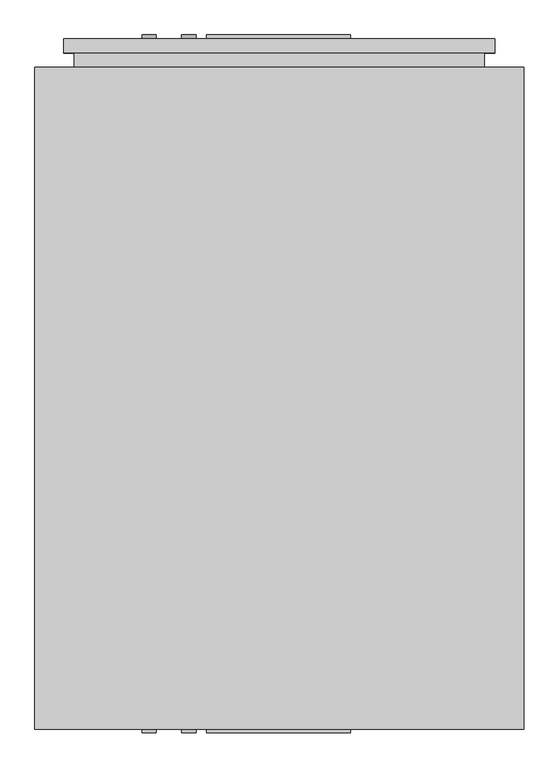
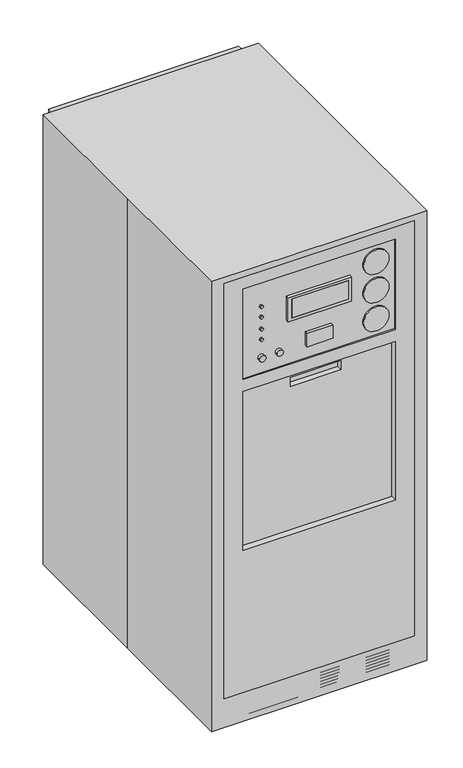
"""IFC4 building model written with IfcOpenShell, lengths in millimetres: proxy geometry."""

from ifc_helpers import new_model, si_unit, point, frame, frame_2d, origin, origin_with_axes, place, context, project, spatial, polyline, circle_curve, trimmed, segment, composite_curve, outline, extrude, faceted_brep, source, transform, mapped, element, save


def specialty_equipment_8d733da3(model_context):
    return source(origin(), model_context, "Body", "SolidModel", [
        extrude(outline(composite_curve([segment(trimmed(circle_curve(frame_2d((1516.7270436, 228.5326215)), 50.8), [point((1516.7270436, 177.7326215))], [point((1516.7270436, 279.3326215))], False, "CARTESIAN"), True, "CONTINUOUS"), segment(trimmed(circle_curve(frame_2d((1516.7270436, 228.5326215)), 50.8), [point((1516.7270436, 279.3326215))], [point((1516.7270436, 177.7326215))], False, "CARTESIAN"), True, "CONTINUOUS")], self_intersect=False)), frame((0.0, 628.65, 0.0), z_axis=(0.0, 1.0, 0.0), x_axis=(0.0, 0.0, 1.0)), (0.0, 0.0, 1.0), 6.35),
        extrude(outline(composite_curve([segment(trimmed(circle_curve(frame_2d((1637.3770436, 228.5326215)), 50.8), [point((1637.3770436, 177.7326215))], [point((1637.3770436, 279.3326215))], False, "CARTESIAN"), True, "CONTINUOUS"), segment(trimmed(circle_curve(frame_2d((1637.3770436, 228.5326215)), 50.8), [point((1637.3770436, 279.3326215))], [point((1637.3770436, 177.7326215))], False, "CARTESIAN"), True, "CONTINUOUS")], self_intersect=False)), frame((0.0, 628.65, 0.0), z_axis=(0.0, 1.0, 0.0), x_axis=(0.0, 0.0, 1.0)), (0.0, 0.0, 1.0), 6.35),
        extrude(outline(composite_curve([segment(trimmed(circle_curve(frame_2d((1758.0270436, 228.5326215)), 50.8), [point((1758.0270436, 177.7326215))], [point((1758.0270436, 279.3326215))], False, "CARTESIAN"), True, "CONTINUOUS"), segment(trimmed(circle_curve(frame_2d((1758.0270436, 228.5326215)), 50.8), [point((1758.0270436, 279.3326215))], [point((1758.0270436, 177.7326215))], False, "CARTESIAN"), True, "CONTINUOUS")], self_intersect=False)), frame((0.0, 628.65, 0.0), z_axis=(0.0, 1.0, 0.0), x_axis=(0.0, 0.0, 1.0)), (0.0, 0.0, 1.0), 6.35),
        extrude(outline(composite_curve([segment(trimmed(circle_curve(frame_2d((1727.9805029, -229.9491675)), 6.35), [point((1727.9805029, -236.2991675))], [point((1727.9805029, -223.5991675))], False, "CARTESIAN"), True, "CONTINUOUS"), segment(trimmed(circle_curve(frame_2d((1727.9805029, -229.9491675)), 6.35), [point((1727.9805029, -223.5991675))], [point((1727.9805029, -236.2991675))], False, "CARTESIAN"), True, "CONTINUOUS")], self_intersect=False)), frame((0.0, 628.65, 0.0), z_axis=(0.0, 1.0, 0.0), x_axis=(0.0, 0.0, 1.0)), (0.0, 0.0, 1.0), 6.35),
        extrude(outline(composite_curve([segment(trimmed(circle_curve(frame_2d((1683.5305029, -229.9491675)), 6.35), [point((1683.5305029, -236.2991675))], [point((1683.5305029, -223.5991675))], False, "CARTESIAN"), True, "CONTINUOUS"), segment(trimmed(circle_curve(frame_2d((1683.5305029, -229.9491675)), 6.35), [point((1683.5305029, -223.5991675))], [point((1683.5305029, -236.2991675))], False, "CARTESIAN"), True, "CONTINUOUS")], self_intersect=False)), frame((0.0, 628.65, 0.0), z_axis=(0.0, 1.0, 0.0), x_axis=(0.0, 0.0, 1.0)), (0.0, 0.0, 1.0), 6.35),
        extrude(outline(composite_curve([segment(trimmed(circle_curve(frame_2d((1632.7305029, -229.9491675)), 6.35), [point((1632.7305029, -236.2991675))], [point((1632.7305029, -223.5991675))], False, "CARTESIAN"), True, "CONTINUOUS"), segment(trimmed(circle_curve(frame_2d((1632.7305029, -229.9491675)), 6.35), [point((1632.7305029, -223.5991675))], [point((1632.7305029, -236.2991675))], False, "CARTESIAN"), True, "CONTINUOUS")], self_intersect=False)), frame((0.0, 628.65, 0.0), z_axis=(0.0, 1.0, 0.0), x_axis=(0.0, 0.0, 1.0)), (0.0, 0.0, 1.0), 6.35),
        extrude(outline(composite_curve([segment(trimmed(circle_curve(frame_2d((1588.2805029, -229.9491675)), 6.35), [point((1588.2805029, -236.2991675))], [point((1588.2805029, -223.5991675))], False, "CARTESIAN"), True, "CONTINUOUS"), segment(trimmed(circle_curve(frame_2d((1588.2805029, -229.9491675)), 6.35), [point((1588.2805029, -223.5991675))], [point((1588.2805029, -236.2991675))], False, "CARTESIAN"), True, "CONTINUOUS")], self_intersect=False)), frame((0.0, 628.65, 0.0), z_axis=(0.0, 1.0, 0.0), x_axis=(0.0, 0.0, 1.0)), (0.0, 0.0, 1.0), 6.35),
        extrude(outline(polyline([(-113.479225, 641.35), (113.2646728, 641.35), (113.2646728, 635.0), (-113.479225, 635.0), (-113.479225, 641.35)])), frame((0.0, 0.0, 1644.6676006), z_axis=(0.0, 0.0, 1.0), x_axis=(1.0, 0.0, 0.0)), (0.0, 0.0, 1.0), 78.9475087),
        extrude(outline(composite_curve([segment(trimmed(circle_curve(frame_2d((1512.0805029, -160.0991675)), 12.7), [point((1512.0805029, -172.7991675))], [point((1512.0805029, -147.3991675))], False, "CARTESIAN"), True, "CONTINUOUS"), segment(trimmed(circle_curve(frame_2d((1512.0805029, -160.0991675)), 12.7), [point((1512.0805029, -147.3991675))], [point((1512.0805029, -172.7991675))], False, "CARTESIAN"), True, "CONTINUOUS")], self_intersect=False)), frame((0.0, 635.0, 0.0), z_axis=(0.0, 1.0, 0.0), x_axis=(0.0, 0.0, 1.0)), (0.0, 0.0, 1.0), 6.35),
        extrude(outline(composite_curve([segment(trimmed(circle_curve(frame_2d((1512.0805029, -229.9491675)), 12.7), [point((1512.0805029, -242.6491675))], [point((1512.0805029, -217.2491675))], False, "CARTESIAN"), True, "CONTINUOUS"), segment(trimmed(circle_curve(frame_2d((1512.0805029, -229.9491675)), 12.7), [point((1512.0805029, -217.2491675))], [point((1512.0805029, -242.6491675))], False, "CARTESIAN"), True, "CONTINUOUS")], self_intersect=False)), frame((0.0, 635.0, 0.0), z_axis=(0.0, 1.0, 0.0), x_axis=(0.0, 0.0, 1.0)), (0.0, 0.0, 1.0), 6.35),
        extrude(outline(polyline([(-52.3875, 641.35), (51.2047669, 641.35), (51.2047669, 635.0), (-52.3875, 635.0), (-52.3875, 641.35)])), frame((0.0, 0.0, 1500.7850891), z_axis=(0.0, 0.0, 1.0), x_axis=(1.0, 0.0, 0.0)), (0.0, 0.0, 1.0), 55.9738661),
        extrude(outline(polyline([(1734.5589553, 125.7541032), (1734.5589553, -128.2458968), (1632.9589553, -128.2458968), (1632.9589553, 125.7541032), (1734.5589553, 125.7541032)]), holes=[polyline([(1723.6151093, 113.2646728), (1644.6676006, 113.2646728), (1644.6676006, -113.479225), (1723.6151093, -113.479225), (1723.6151093, 113.2646728)])]), frame((0.0, 635.0, 0.0), z_axis=(0.0, 1.0, 0.0), x_axis=(0.0, 0.0, 1.0)), (0.0, 0.0, 1.0), 6.35),
        faceted_brep([(381.0, 635.0, 1879.6), (381.0, 635.0, 120.65), (-381.0, 635.0, 120.65), (-381.0, 635.0, 1879.6), (304.8, 635.0, 1828.8), (-304.8, 635.0, 1828.8), (-304.8, 635.0, 1445.9540873), (304.8, 635.0, 1445.9540873), (304.8, 635.0, 1395.1540873), (-304.8, 635.0, 1395.1540873), (-304.8, 635.0, 723.9), (304.8, 635.0, 723.9), (381.0, 609.6, 1879.6), (-381.0, 609.6, 1879.6), (-381.0, 609.6, 120.65), (381.0, 609.6, 120.65), (-304.8, 609.6, 1395.1540873), (304.8, 609.6, 1395.1540873), (304.8, 609.6, 723.9), (-304.8, 609.6, 723.9), (304.8, 628.65, 1828.8), (304.8, 628.65, 1445.9540873), (-304.8, 628.65, 1445.9540873), (-304.8, 628.65, 1828.8)], [[[0, 1, 2, 3], [4, 5, 6, 7], [8, 9, 10, 11]], [[12, 13, 14, 15], [16, 17, 18, 19]], [[0, 3, 13, 12]], [[3, 2, 14, 13]], [[2, 1, 15, 14]], [[1, 0, 12, 15]], [[20, 21, 22, 23]], [[20, 23, 5, 4]], [[23, 22, 6, 5]], [[22, 21, 7, 6]], [[21, 20, 4, 7]], [[8, 17, 16, 9]], [[9, 16, 19, 10]], [[10, 19, 18, 11]], [[17, 8, 11, 18]]]),
        extrude(outline(composite_curve([segment(trimmed(circle_curve(frame_2d((1516.7270436, 228.5326215)), 50.8), [point((1516.7270436, 177.7326215))], [point((1516.7270436, 279.3326215))], False, "CARTESIAN"), True, "CONTINUOUS"), segment(trimmed(circle_curve(frame_2d((1516.7270436, 228.5326215)), 50.8), [point((1516.7270436, 279.3326215))], [point((1516.7270436, 177.7326215))], False, "CARTESIAN"), True, "CONTINUOUS")], self_intersect=False)), frame((0.0, -584.2, 0.0), z_axis=(0.0, 1.0, 0.0), x_axis=(0.0, 0.0, 1.0)), (0.0, 0.0, 1.0), 6.35),
        extrude(outline(composite_curve([segment(trimmed(circle_curve(frame_2d((1637.3770436, 228.5326215)), 50.8), [point((1637.3770436, 177.7326215))], [point((1637.3770436, 279.3326215))], False, "CARTESIAN"), True, "CONTINUOUS"), segment(trimmed(circle_curve(frame_2d((1637.3770436, 228.5326215)), 50.8), [point((1637.3770436, 279.3326215))], [point((1637.3770436, 177.7326215))], False, "CARTESIAN"), True, "CONTINUOUS")], self_intersect=False)), frame((0.0, -584.2, 0.0), z_axis=(0.0, 1.0, 0.0), x_axis=(0.0, 0.0, 1.0)), (0.0, 0.0, 1.0), 6.35),
        extrude(outline(composite_curve([segment(trimmed(circle_curve(frame_2d((1758.0270436, 228.5326215)), 50.8), [point((1758.0270436, 177.7326215))], [point((1758.0270436, 279.3326215))], False, "CARTESIAN"), True, "CONTINUOUS"), segment(trimmed(circle_curve(frame_2d((1758.0270436, 228.5326215)), 50.8), [point((1758.0270436, 279.3326215))], [point((1758.0270436, 177.7326215))], False, "CARTESIAN"), True, "CONTINUOUS")], self_intersect=False)), frame((0.0, -584.2, 0.0), z_axis=(0.0, 1.0, 0.0), x_axis=(0.0, 0.0, 1.0)), (0.0, 0.0, 1.0), 6.35),
        extrude(outline(polyline([(113.2646728, -590.55), (-113.479225, -590.55), (-113.479225, -584.2), (113.2646728, -584.2), (113.2646728, -590.55)])), frame((0.0, 0.0, 1644.6676006), z_axis=(0.0, 0.0, 1.0), x_axis=(1.0, 0.0, 0.0)), (0.0, 0.0, 1.0), 78.9475087),
        extrude(outline(composite_curve([segment(trimmed(circle_curve(frame_2d((1727.9805029, -229.9491675)), 6.35), [point((1727.9805029, -236.2991675))], [point((1727.9805029, -223.5991675))], False, "CARTESIAN"), True, "CONTINUOUS"), segment(trimmed(circle_curve(frame_2d((1727.9805029, -229.9491675)), 6.35), [point((1727.9805029, -223.5991675))], [point((1727.9805029, -236.2991675))], False, "CARTESIAN"), True, "CONTINUOUS")], self_intersect=False)), frame((0.0, -584.2, 0.0), z_axis=(0.0, 1.0, 0.0), x_axis=(0.0, 0.0, 1.0)), (0.0, 0.0, 1.0), 6.35),
        extrude(outline(composite_curve([segment(trimmed(circle_curve(frame_2d((1683.5305029, -229.9491675)), 6.35), [point((1683.5305029, -236.2991675))], [point((1683.5305029, -223.5991675))], False, "CARTESIAN"), True, "CONTINUOUS"), segment(trimmed(circle_curve(frame_2d((1683.5305029, -229.9491675)), 6.35), [point((1683.5305029, -223.5991675))], [point((1683.5305029, -236.2991675))], False, "CARTESIAN"), True, "CONTINUOUS")], self_intersect=False)), frame((0.0, -584.2, 0.0), z_axis=(0.0, 1.0, 0.0), x_axis=(0.0, 0.0, 1.0)), (0.0, 0.0, 1.0), 6.35),
        extrude(outline(composite_curve([segment(trimmed(circle_curve(frame_2d((1632.7305029, -229.9491675)), 6.35), [point((1632.7305029, -236.2991675))], [point((1632.7305029, -223.5991675))], False, "CARTESIAN"), True, "CONTINUOUS"), segment(trimmed(circle_curve(frame_2d((1632.7305029, -229.9491675)), 6.35), [point((1632.7305029, -223.5991675))], [point((1632.7305029, -236.2991675))], False, "CARTESIAN"), True, "CONTINUOUS")], self_intersect=False)), frame((0.0, -584.2, 0.0), z_axis=(0.0, 1.0, 0.0), x_axis=(0.0, 0.0, 1.0)), (0.0, 0.0, 1.0), 6.35),
        extrude(outline(composite_curve([segment(trimmed(circle_curve(frame_2d((1588.2805029, -229.9491675)), 6.35), [point((1588.2805029, -236.2991675))], [point((1588.2805029, -223.5991675))], False, "CARTESIAN"), True, "CONTINUOUS"), segment(trimmed(circle_curve(frame_2d((1588.2805029, -229.9491675)), 6.35), [point((1588.2805029, -223.5991675))], [point((1588.2805029, -236.2991675))], False, "CARTESIAN"), True, "CONTINUOUS")], self_intersect=False)), frame((0.0, -584.2, 0.0), z_axis=(0.0, 1.0, 0.0), x_axis=(0.0, 0.0, 1.0)), (0.0, 0.0, 1.0), 6.35),
        extrude(outline(composite_curve([segment(trimmed(circle_curve(frame_2d((1512.0805029, -160.0991675)), 12.7), [point((1512.0805029, -172.7991675))], [point((1512.0805029, -147.3991675))], False, "CARTESIAN"), True, "CONTINUOUS"), segment(trimmed(circle_curve(frame_2d((1512.0805029, -160.0991675)), 12.7), [point((1512.0805029, -147.3991675))], [point((1512.0805029, -172.7991675))], False, "CARTESIAN"), True, "CONTINUOUS")], self_intersect=False)), frame((0.0, -590.55, 0.0), z_axis=(0.0, 1.0, 0.0), x_axis=(0.0, 0.0, 1.0)), (0.0, 0.0, 1.0), 12.7),
        extrude(outline(composite_curve([segment(trimmed(circle_curve(frame_2d((1512.0805029, -229.9491675)), 12.7), [point((1512.0805029, -242.6491675))], [point((1512.0805029, -217.2491675))], False, "CARTESIAN"), True, "CONTINUOUS"), segment(trimmed(circle_curve(frame_2d((1512.0805029, -229.9491675)), 12.7), [point((1512.0805029, -217.2491675))], [point((1512.0805029, -242.6491675))], False, "CARTESIAN"), True, "CONTINUOUS")], self_intersect=False)), frame((0.0, -590.55, 0.0), z_axis=(0.0, 1.0, 0.0), x_axis=(0.0, 0.0, 1.0)), (0.0, 0.0, 1.0), 12.7),
        extrude(outline(polyline([(51.2047669, -590.55), (-52.3875, -590.55), (-52.3875, -577.85), (51.2047669, -577.85), (51.2047669, -590.55)])), frame((0.0, 0.0, 1500.7850891), z_axis=(0.0, 0.0, 1.0), x_axis=(1.0, 0.0, 0.0)), (0.0, 0.0, 1.0), 55.9738661),
        extrude(outline(polyline([(1734.5589553, 125.7541032), (1734.5589553, -128.2458968), (1632.9589553, -128.2458968), (1632.9589553, 125.7541032), (1734.5589553, 125.7541032)]), holes=[polyline([(1723.6151093, 113.2646728), (1644.6676006, 113.2646728), (1644.6676006, -113.479225), (1723.6151093, -113.479225), (1723.6151093, 113.2646728)])]), frame((0.0, -590.55, 0.0), z_axis=(0.0, 1.0, 0.0), x_axis=(0.0, 0.0, 1.0)), (0.0, 0.0, 1.0), 12.7),
        extrude(outline(polyline([(-279.4, 635.0), (279.4, 635.0), (279.4, 609.6), (-279.4, 609.6), (-279.4, 635.0)])), frame((0.0, 0.0, 92.075), z_axis=(0.0, 0.0, 1.0), x_axis=(1.0, 0.0, 0.0)), (0.0, 0.0, 1.0), 6.35),
        extrude(outline(polyline([(-279.4, 635.0), (279.4, 635.0), (279.4, 609.6), (-279.4, 609.6), (-279.4, 635.0)])), frame((0.0, 0.0, 41.275), z_axis=(0.0, 0.0, 1.0), x_axis=(1.0, 0.0, 0.0)), (0.0, 0.0, 1.0), 6.35),
        extrude(outline(polyline([(-279.4, 635.0), (279.4, 635.0), (279.4, 609.6), (-279.4, 609.6), (-279.4, 635.0)])), frame((0.0, 0.0, 79.375), z_axis=(0.0, 0.0, 1.0), x_axis=(1.0, 0.0, 0.0)), (0.0, 0.0, 1.0), 6.35),
        extrude(outline(polyline([(-279.4, 635.0), (279.4, 635.0), (279.4, 609.6), (-279.4, 609.6), (-279.4, 635.0)])), frame((0.0, 0.0, 66.675), z_axis=(0.0, 0.0, 1.0), x_axis=(1.0, 0.0, 0.0)), (0.0, 0.0, 1.0), 6.35),
        extrude(outline(polyline([(-279.4, 635.0), (279.4, 635.0), (279.4, 609.6), (-279.4, 609.6), (-279.4, 635.0)])), frame((0.0, 0.0, 53.975), z_axis=(0.0, 0.0, 1.0), x_axis=(1.0, 0.0, 0.0)), (0.0, 0.0, 1.0), 6.35),
        extrude(outline(polyline([(-279.4, 635.0), (279.4, 635.0), (279.4, 609.6), (-279.4, 609.6), (-279.4, 635.0)])), frame((0.0, 0.0, 28.575), z_axis=(0.0, 0.0, 1.0), x_axis=(1.0, 0.0, 0.0)), (0.0, 0.0, 1.0), 6.35),
        extrude(outline(polyline([(114.3, 381.0), (114.3, -381.0), (12.7, -381.0), (12.7, 381.0), (114.3, 381.0)]), holes=[polyline([(101.6, 279.4), (25.4, 279.4), (25.4, -279.4), (101.6, -279.4), (101.6, 279.4)])]), frame((0.0, 609.6, 0.0), z_axis=(0.0, 1.0, 0.0), x_axis=(0.0, 0.0, 1.0)), (0.0, 0.0, 1.0), 25.4),
        faceted_brep([(304.8, -577.85, 1828.8), (-304.8, -577.85, 1828.8), (-304.8, -577.85, 1445.9540873), (304.8, -577.85, 1445.9540873), (304.8, -584.2, 1828.8), (-304.8, -584.2, 1828.8), (-304.8, -584.2, 1445.9540873), (304.8, -584.2, 1445.9540873), (-304.8, -584.2, 1395.1540873), (-304.8, -558.8, 1395.1540873), (304.8, -558.8, 1395.1540873), (304.8, -584.2, 1395.1540873), (-304.8, -584.2, 723.9), (-304.8, -558.8, 723.9), (304.8, -584.2, 723.9), (304.8, -558.8, 723.9), (381.0, -584.2, 1879.6), (-381.0, -584.2, 1879.6), (-381.0, -584.2, 120.65), (381.0, -584.2, 120.65), (381.0, -558.8, 1879.6), (381.0, -558.8, 120.65), (-381.0, -558.8, 120.65), (-381.0, -558.8, 1879.6)], [[[0, 1, 2, 3]], [[1, 0, 4, 5]], [[2, 1, 5, 6]], [[3, 2, 6, 7]], [[0, 3, 7, 4]], [[8, 9, 10, 11]], [[9, 8, 12, 13]], [[13, 12, 14, 15]], [[11, 10, 15, 14]], [[16, 17, 18, 19], [5, 4, 7, 6], [8, 11, 14, 12]], [[20, 21, 22, 23], [10, 9, 13, 15]], [[17, 16, 20, 23]], [[18, 17, 23, 22]], [[19, 18, 22, 21]], [[16, 19, 21, 20]]]),
        faceted_brep([(101.6, -535.5712724, 1369.0893409), (-101.6, -535.5712724, 1369.0893409), (-101.6, -535.5712724, 1330.9893409), (101.6, -535.5712724, 1330.9893409), (101.6, -558.8, 1369.0893409), (-101.6, -558.8, 1369.0893409), (-101.6, -558.8, 1330.9893409), (101.6, -558.8, 1330.9893409), (361.95, -558.8, 1854.2), (361.95, 609.6, 1854.2), (-361.95, 609.6, 1854.2), (-361.95, -558.8, 1854.2), (361.95, -558.8, 12.7), (-361.95, -558.8, 12.7), (-361.95, 609.6, 12.7), (361.95, 609.6, 12.7), (101.6, 609.6, 1369.0893409), (-101.6, 609.6, 1369.0893409), (-101.6, 609.6, 1330.9893409), (101.6, 609.6, 1330.9893409), (101.6, 586.3712724, 1369.0893409), (101.6, 586.3712724, 1330.9893409), (-101.6, 586.3712724, 1330.9893409), (-101.6, 586.3712724, 1369.0893409)], [[[0, 1, 2, 3]], [[1, 0, 4, 5]], [[2, 1, 5, 6]], [[3, 2, 6, 7]], [[0, 3, 7, 4]], [[8, 9, 10, 11]], [[12, 13, 14, 15]], [[9, 8, 12, 15]], [[10, 9, 15, 14], [16, 17, 18, 19]], [[11, 10, 14, 13]], [[8, 11, 13, 12], [5, 4, 7, 6]], [[20, 21, 22, 23]], [[20, 23, 17, 16]], [[23, 22, 18, 17]], [[22, 21, 19, 18]], [[21, 20, 16, 19]]]),
        faceted_brep([(-431.8, 584.2, 1905.0), (-431.8, 0.0, 1905.0), (-431.8, -584.2, 1905.0), (431.8, -584.2, 1905.0), (431.8, 584.2, 1905.0), (-431.8, 584.2, 0.0), (431.8, 584.2, 0.0), (431.8, -584.2, 0.0), (-431.8, -584.2, 0.0), (-431.8, 0.0, 0.0), (-304.8, -584.2, 1828.8), (304.8, -584.2, 1828.8), (304.8, -584.2, 1445.9540873), (-304.8, -584.2, 1445.9540873), (-304.8, -584.2, 1395.1540873), (304.8, -584.2, 1395.1540873), (304.8, -584.2, 723.9), (-304.8, -584.2, 723.9), (304.8, -577.85, 1828.8), (-304.8, -577.85, 1828.8), (-304.8, -577.85, 1445.9540873), (304.8, -577.85, 1445.9540873), (304.8, -558.8, 1395.1540873), (-304.8, -558.8, 1395.1540873), (-304.8, -558.8, 723.9), (304.8, -558.8, 723.9), (-101.6, -558.8, 1369.0893409), (101.6, -558.8, 1369.0893409), (101.6, -558.8, 1330.9893409), (-101.6, -558.8, 1330.9893409), (101.6, -535.5712724, 1369.0893409), (-101.6, -535.5712724, 1369.0893409), (-101.6, -535.5712724, 1330.9893409), (101.6, -535.5712724, 1330.9893409)], [[[0, 1, 2, 3, 4]], [[5, 6, 7, 8, 9]], [[1, 0, 5, 9]], [[2, 1, 9, 8]], [[3, 2, 8, 7], [10, 11, 12, 13], [14, 15, 16, 17]], [[4, 3, 7, 6]], [[0, 4, 6, 5]], [[18, 19, 20, 21]], [[19, 18, 11, 10]], [[20, 19, 10, 13]], [[21, 20, 13, 12]], [[18, 21, 12, 11]], [[22, 23, 24, 25], [26, 27, 28, 29]], [[23, 22, 15, 14]], [[24, 23, 14, 17]], [[25, 24, 17, 16]], [[22, 25, 16, 15]], [[30, 31, 32, 33]], [[31, 30, 27, 26]], [[32, 31, 26, 29]], [[33, 32, 29, 28]], [[30, 33, 28, 27]]]),
        extrude(outline(composite_curve([segment(trimmed(circle_curve(frame_2d((263.1882216, 517.9914267)), 50.8), [point((212.3882216, 517.9914267))], [point((313.9882216, 517.9914267))], False, "CARTESIAN"), True, "CONTINUOUS"), segment(trimmed(circle_curve(frame_2d((263.1882216, 517.9914267)), 50.8), [point((313.9882216, 517.9914267))], [point((212.3882216, 517.9914267))], False, "CARTESIAN"), True, "CONTINUOUS")], self_intersect=False)), origin_with_axes(), (0.0, 0.0, 1.0), 12.7),
        extrude(outline(composite_curve([segment(trimmed(circle_curve(frame_2d((-263.1882216, 517.9914267)), 50.8), [point((-212.3882216, 517.9914267))], [point((-313.9882216, 517.9914267))], False, "CARTESIAN"), True, "CONTINUOUS"), segment(trimmed(circle_curve(frame_2d((-263.1882216, 517.9914267)), 50.8), [point((-313.9882216, 517.9914267))], [point((-212.3882216, 517.9914267))], False, "CARTESIAN"), True, "CONTINUOUS")], self_intersect=False)), origin_with_axes(), (0.0, 0.0, 1.0), 12.7),
        extrude(outline(composite_curve([segment(trimmed(circle_curve(frame_2d((263.1882216, -467.1914267)), 50.8), [point((212.3882216, -467.1914267))], [point((313.9882216, -467.1914267))], False, "CARTESIAN"), True, "CONTINUOUS"), segment(trimmed(circle_curve(frame_2d((263.1882216, -467.1914267)), 50.8), [point((313.9882216, -467.1914267))], [point((212.3882216, -467.1914267))], False, "CARTESIAN"), True, "CONTINUOUS")], self_intersect=False)), origin_with_axes(), (0.0, 0.0, 1.0), 12.7),
        extrude(outline(composite_curve([segment(trimmed(circle_curve(frame_2d((-263.1882216, -467.1914267)), 50.8), [point((-212.3882216, -467.1914267))], [point((-313.9882216, -467.1914267))], False, "CARTESIAN"), True, "CONTINUOUS"), segment(trimmed(circle_curve(frame_2d((-263.1882216, -467.1914267)), 50.8), [point((-313.9882216, -467.1914267))], [point((-212.3882216, -467.1914267))], False, "CARTESIAN"), True, "CONTINUOUS")], self_intersect=False)), origin_with_axes(), (0.0, 0.0, 1.0), 12.7),
        extrude(outline(polyline([(279.4, -584.2), (-279.4, -584.2), (-279.4, -558.8), (279.4, -558.8), (279.4, -584.2)])), frame((0.0, 0.0, 92.075), z_axis=(0.0, 0.0, 1.0), x_axis=(1.0, 0.0, 0.0)), (0.0, 0.0, 1.0), 6.35),
        extrude(outline(polyline([(279.4, -584.2), (-279.4, -584.2), (-279.4, -558.8), (279.4, -558.8), (279.4, -584.2)])), frame((0.0, 0.0, 41.275), z_axis=(0.0, 0.0, 1.0), x_axis=(1.0, 0.0, 0.0)), (0.0, 0.0, 1.0), 6.35),
        extrude(outline(polyline([(279.4, -584.2), (-279.4, -584.2), (-279.4, -558.8), (279.4, -558.8), (279.4, -584.2)])), frame((0.0, 0.0, 79.375), z_axis=(0.0, 0.0, 1.0), x_axis=(1.0, 0.0, 0.0)), (0.0, 0.0, 1.0), 6.35),
        extrude(outline(polyline([(279.4, -584.2), (-279.4, -584.2), (-279.4, -558.8), (279.4, -558.8), (279.4, -584.2)])), frame((0.0, 0.0, 66.675), z_axis=(0.0, 0.0, 1.0), x_axis=(1.0, 0.0, 0.0)), (0.0, 0.0, 1.0), 6.35),
        extrude(outline(polyline([(279.4, -584.2), (-279.4, -584.2), (-279.4, -558.8), (279.4, -558.8), (279.4, -584.2)])), frame((0.0, 0.0, 53.975), z_axis=(0.0, 0.0, 1.0), x_axis=(1.0, 0.0, 0.0)), (0.0, 0.0, 1.0), 6.35),
        extrude(outline(polyline([(279.4, -584.2), (-279.4, -584.2), (-279.4, -558.8), (279.4, -558.8), (279.4, -584.2)])), frame((0.0, 0.0, 28.575), z_axis=(0.0, 0.0, 1.0), x_axis=(1.0, 0.0, 0.0)), (0.0, 0.0, 1.0), 6.35),
        extrude(outline(polyline([(114.3, 381.0), (114.3, -381.0), (12.7, -381.0), (12.7, 381.0), (114.3, 381.0)]), holes=[polyline([(101.6, 279.4), (25.4, 279.4), (25.4, -279.4), (101.6, -279.4), (101.6, 279.4)])]), frame((0.0, -584.2, 0.0), z_axis=(0.0, 1.0, 0.0), x_axis=(0.0, 0.0, 1.0)), (0.0, 0.0, 1.0), 25.4),
    ])


if __name__ == "__main__":
    model = new_model("IFC4")
    model_context = context("Model", 3, world=origin())
    ifc_project = project(units=[si_unit("LENGTHUNIT", "METRE", prefix="MILLI")], contexts=[model_context])
    site = spatial("IfcSite", under=ifc_project)
    building = spatial("IfcBuilding", under=site)
    placement = place(None, origin())
    specialty_equipment_shape = specialty_equipment_8d733da3(model_context)
    element("IfcBuildingElementProxy", 1, Name="Specialty Equipment", at=placement, inside=building, context=model_context, shape_type="MappedRepresentation", body=[
        mapped(specialty_equipment_shape, transform((0.0, 0.0, 0.0), x_axis=(1.0, 0.0, 0.0), y_axis=(0.0, 1.0, 0.0), z_axis=(0.0, 0.0, 1.0))),
    ])
    save(model, "model.ifc")
